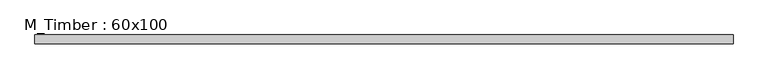
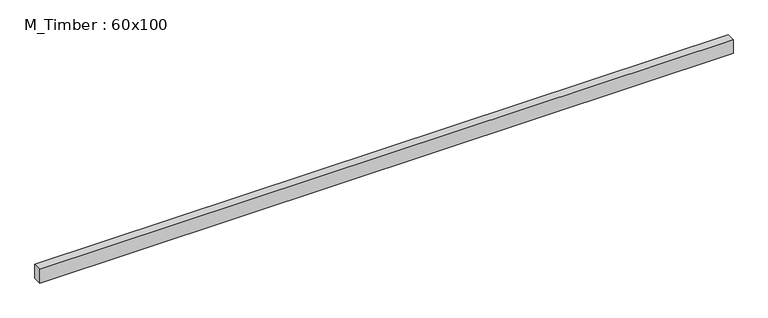
"""IFC4 building model written with IfcOpenShell, lengths in millimetres: beam geometry, M_Timber : 60x100."""

from ifc_helpers import new_model, si_unit, frame, origin, place, context, project, spatial, polyline, outline, extrude, source, transform, mapped, element, save


def m_timber_60x100_07a66db2(model_context):
    return source(origin(), model_context, "Body", "SweptSolid", [
        extrude(outline(polyline([(2503.7724027, 30.0), (2503.7724027, -30.0), (-2317.3799207, -30.0), (-2317.3799207, 30.0), (2503.7724027, 30.0)])), frame((0.0, 0.0, -50.0), z_axis=(0.0, 0.0, 1.0), x_axis=(1.0, 0.0, 0.0)), (0.0, 0.0, 1.0), 100.0),
    ])


if __name__ == "__main__":
    model = new_model("IFC4")
    model_context = context("Model", 3, world=origin())
    ifc_project = project(units=[si_unit("LENGTHUNIT", "METRE", prefix="MILLI")], contexts=[model_context])
    site = spatial("IfcSite", under=ifc_project)
    building = spatial("IfcBuilding", under=site)
    placement = place(None, origin())
    m_timber_60x100_shape = m_timber_60x100_07a66db2(model_context)
    element("IfcBeam", 1, ObjectType="M_Timber : 60x100", at=placement, inside=building, context=model_context, shape_type="MappedRepresentation", body=[
        mapped(m_timber_60x100_shape, transform((0.0, 0.0, 0.0), x_axis=(1.0, 0.0, 0.0), y_axis=(0.0, 1.0, 0.0), z_axis=(0.0, 0.0, 1.0))),
    ])
    save(model, "model.ifc")
